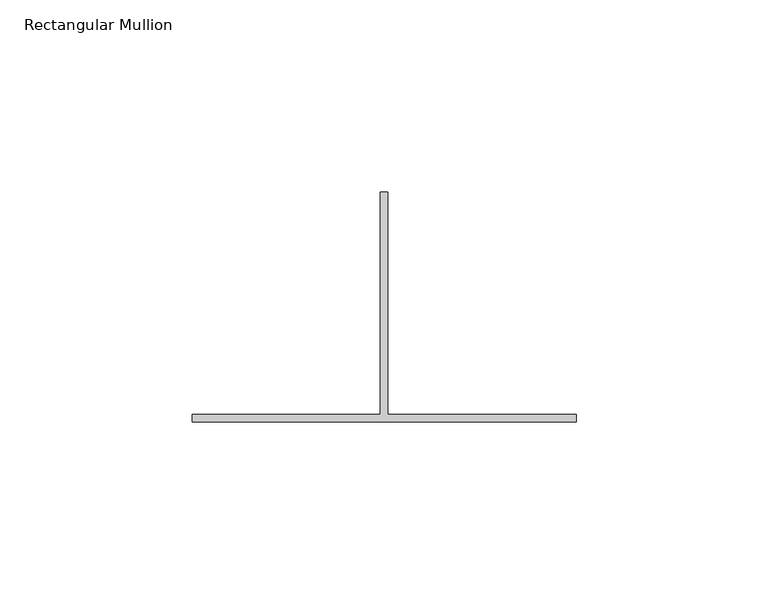
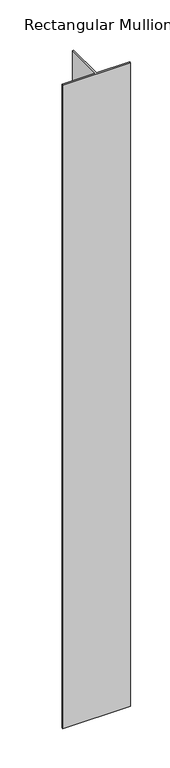
"""IFC4 building model written with IfcOpenShell, lengths in millimetres: member geometry, Rectangular Mullion."""

from ifc_helpers import new_model, si_unit, frame, origin, place, context, project, spatial, polyline, outline, extrude, source, transform, mapped, element, save


def rectangular_mullion_496ab39f(model_context):
    return source(origin(), model_context, "Body", "SweptSolid", [
        extrude(outline(polyline([(49.0, -302.0), (-51.0, -302.0), (-51.0, -300.0), (-2.0, -300.0), (-2.0, -242.0), (0.0, -242.0), (0.0, -300.0), (49.0, -300.0), (49.0, -302.0)])), frame((0.0, 0.0, -1000.0), z_axis=(0.0, 0.0, 1.0), x_axis=(1.0, 0.0, 0.0)), (0.0, 0.0, 1.0), 1000.0),
    ])


if __name__ == "__main__":
    model = new_model("IFC4")
    model_context = context("Model", 3, world=origin())
    ifc_project = project(units=[si_unit("LENGTHUNIT", "METRE", prefix="MILLI")], contexts=[model_context])
    site = spatial("IfcSite", under=ifc_project)
    building = spatial("IfcBuilding", under=site)
    placement = place(None, origin())
    rectangular_mullion_shape = rectangular_mullion_496ab39f(model_context)
    element("IfcMember", 1, ObjectType="Rectangular Mullion", at=placement, inside=building, context=model_context, shape_type="MappedRepresentation", body=[
        mapped(rectangular_mullion_shape, transform((0.0, 0.0, 0.0), x_axis=(1.0, 0.0, 0.0), y_axis=(0.0, 1.0, 0.0), z_axis=(0.0, 0.0, 1.0))),
    ])
    save(model, "model.ifc")
